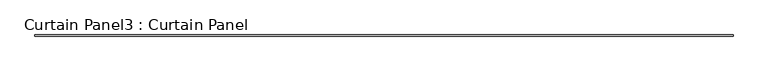
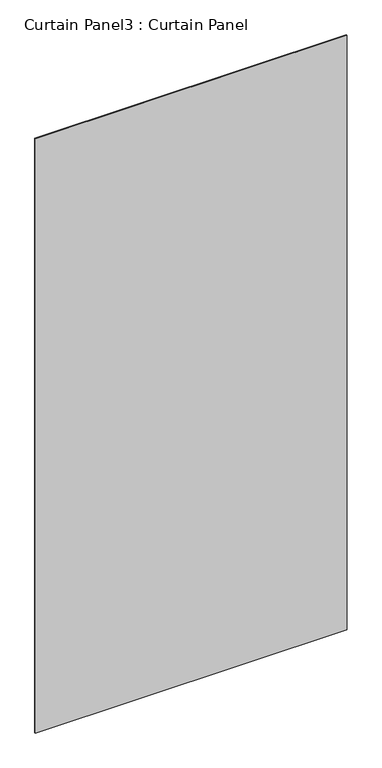
"""IFC4 building model written with IfcOpenShell, lengths in millimetres: plate geometry, Curtain Panel3 : Curtain Panel."""

from ifc_helpers import new_model, si_unit, frame, origin, place, context, project, spatial, polyline, outline, extrude, source, transform, mapped, element, save


def curtain_panel3_curtain_panel_52e9cffa(model_context):
    return source(origin(), model_context, "Body", "SweptSolid", [
        extrude(outline(polyline([(69334.363518, 2969.9604768), (66381.613518, 2969.9604768), (66381.613518, 2976.3104768), (69334.363518, 2976.3104768), (69334.363518, 2969.9604768)])), frame((0.0, 0.0, 5166.5241896), z_axis=(0.0, 0.0, 1.0), x_axis=(1.0, 0.0, 0.0)), (0.0, 0.0, 1.0), 5946.7623),
    ])


if __name__ == "__main__":
    model = new_model("IFC4")
    model_context = context("Model", 3, world=origin())
    ifc_project = project(units=[si_unit("LENGTHUNIT", "METRE", prefix="MILLI")], contexts=[model_context])
    site = spatial("IfcSite", under=ifc_project)
    building = spatial("IfcBuilding", under=site)
    placement = place(None, origin())
    curtain_panel3_curtain_panel_shape = curtain_panel3_curtain_panel_52e9cffa(model_context)
    element("IfcPlate", 1, ObjectType="Curtain Panel3 : Curtain Panel", at=placement, inside=building, context=model_context, shape_type="MappedRepresentation", body=[
        mapped(curtain_panel3_curtain_panel_shape, transform((0.0, 0.0, 0.0), x_axis=(1.0, 0.0, 0.0), y_axis=(0.0, 1.0, 0.0), z_axis=(0.0, 0.0, 1.0))),
    ])
    save(model, "model.ifc")
